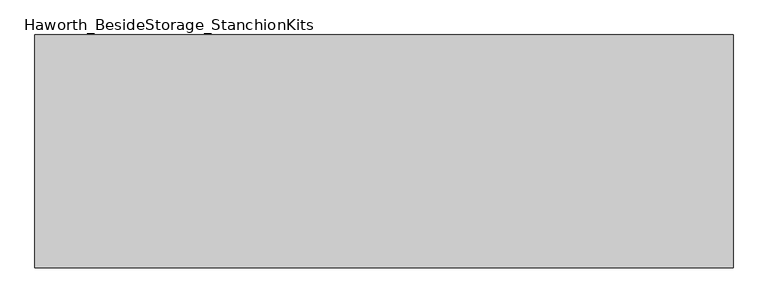
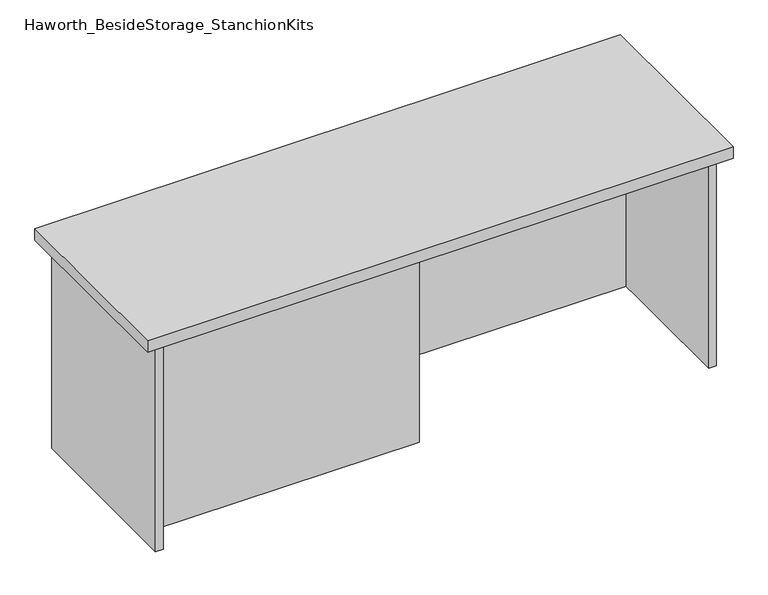
"""IFC4 building model written with IfcOpenShell, lengths in millimetres: furniture geometry, Haworth_BesideStorage_StanchionKits."""

from ifc_helpers import new_model, si_unit, frame, origin, place, context, project, spatial, polyline, outline, extrude, source, transform, mapped, element, save


def haworth_besidestorage_stanchionkits_5829b3dd(model_context):
    return source(origin(), model_context, "Body", "SweptSolid", [
        extrude(outline(polyline([(771.525, 0.0), (771.525, -406.4), (-447.675, -406.4), (-447.675, 0.0), (771.525, 0.0)])), frame((0.0, 0.0, 889.0), z_axis=(0.0, 0.0, 1.0), x_axis=(1.0, 0.0, 0.0)), (0.0, 0.0, 1.0), 25.4),
        extrude(outline(polyline([(161.925, -76.2), (730.25, -76.2), (730.25, -92.075), (161.925, -92.075), (161.925, -76.2)])), frame((0.0, 0.0, 431.8), z_axis=(0.0, 0.0, 1.0), x_axis=(1.0, 0.0, 0.0)), (0.0, 0.0, 1.0), 457.2),
        extrude(outline(polyline([(161.925, -314.325), (161.925, -330.2), (-406.4, -330.2), (-406.4, -314.325), (161.925, -314.325)])), frame((0.0, 0.0, 431.8), z_axis=(0.0, 0.0, 1.0), x_axis=(1.0, 0.0, 0.0)), (0.0, 0.0, 1.0), 457.2),
        extrude(outline(polyline([(746.125, -390.525), (730.25, -390.525), (730.25, -15.875), (746.125, -15.875), (746.125, -390.525)])), frame((0.0, 0.0, 431.8), z_axis=(0.0, 0.0, 1.0), x_axis=(1.0, 0.0, 0.0)), (0.0, 0.0, 1.0), 457.2),
        extrude(outline(polyline([(-406.4, -390.525), (-422.275, -390.525), (-422.275, -15.875), (-406.4, -15.875), (-406.4, -390.525)])), frame((0.0, 0.0, 431.8), z_axis=(0.0, 0.0, 1.0), x_axis=(1.0, 0.0, 0.0)), (0.0, 0.0, 1.0), 457.2),
    ])


if __name__ == "__main__":
    model = new_model("IFC4")
    model_context = context("Model", 3, world=origin())
    ifc_project = project(units=[si_unit("LENGTHUNIT", "METRE", prefix="MILLI")], contexts=[model_context])
    site = spatial("IfcSite", under=ifc_project)
    building = spatial("IfcBuilding", under=site)
    placement = place(None, origin())
    haworth_besidestorage_stanchionkits_shape = haworth_besidestorage_stanchionkits_5829b3dd(model_context)
    element("IfcFurniture", 1, ObjectType="Haworth_BesideStorage_StanchionKits", at=placement, inside=building, context=model_context, shape_type="MappedRepresentation", body=[
        mapped(haworth_besidestorage_stanchionkits_shape, transform((0.0, 0.0, 0.0), x_axis=(1.0, 0.0, 0.0), y_axis=(0.0, 1.0, 0.0), z_axis=(0.0, 0.0, 1.0))),
    ])
    save(model, "model.ifc")
